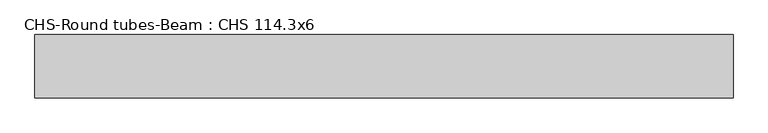
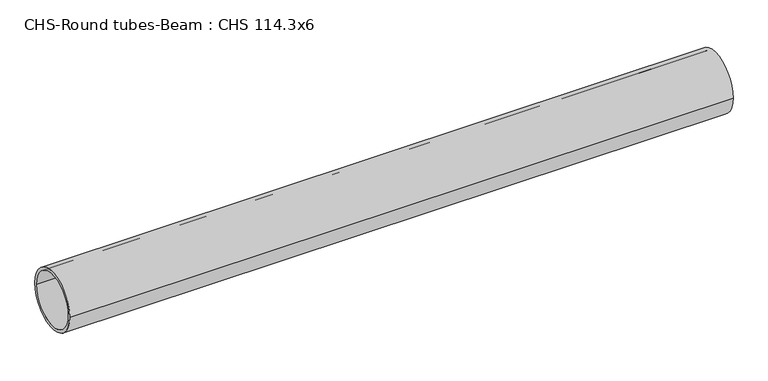
"""IFC4 building model written with IfcOpenShell, lengths in millimetres: beam geometry, CHS-Round tubes-Beam : CHS 114.3x6."""

from ifc_helpers import new_model, si_unit, point, frame, origin, origin_2d, place, context, project, spatial, circle_curve, trimmed, segment, composite_curve, outline, extrude, source, transform, mapped, element, save


def chs_round_tubes_beam_chs_114_3x6_0931638c(model_context):
    return source(origin(), model_context, "Body", "SweptSolid", [
        extrude(outline(composite_curve([segment(trimmed(circle_curve(origin_2d(), 57.15), [point((57.15, 0.0))], [point((-57.15, 0.0))], False, "CARTESIAN"), True, "CONTINUOUS"), segment(trimmed(circle_curve(origin_2d(), 57.15), [point((-57.15, 0.0))], [point((57.15, 0.0))], False, "CARTESIAN"), True, "CONTINUOUS")], self_intersect=False), holes=[composite_curve([segment(trimmed(circle_curve(origin_2d(), 51.15), [point((51.15, 0.0))], [point((-51.15, 0.0))], True, "CARTESIAN"), True, "CONTINUOUS"), segment(trimmed(circle_curve(origin_2d(), 51.15), [point((-51.15, 0.0))], [point((51.15, 0.0))], True, "CARTESIAN"), True, "CONTINUOUS")], self_intersect=False)]), frame((-618.1938462, 0.0, 0.0), z_axis=(1.0, 0.0, 0.0), x_axis=(0.0, 1.0, 0.0)), (0.0, 0.0, 1.0), 1255.9308898),
    ])


if __name__ == "__main__":
    model = new_model("IFC4")
    model_context = context("Model", 3, world=origin())
    ifc_project = project(units=[si_unit("LENGTHUNIT", "METRE", prefix="MILLI")], contexts=[model_context])
    site = spatial("IfcSite", under=ifc_project)
    building = spatial("IfcBuilding", under=site)
    placement = place(None, origin())
    chs_round_tubes_beam_chs_114_3x6_shape = chs_round_tubes_beam_chs_114_3x6_0931638c(model_context)
    element("IfcBeam", 1, ObjectType="CHS-Round tubes-Beam : CHS 114.3x6", at=placement, inside=building, context=model_context, shape_type="MappedRepresentation", body=[
        mapped(chs_round_tubes_beam_chs_114_3x6_shape, transform((0.0, 0.0, 0.0), x_axis=(1.0, 0.0, 0.0), y_axis=(0.0, 1.0, 0.0), z_axis=(0.0, 0.0, 1.0))),
    ])
    save(model, "model.ifc")
